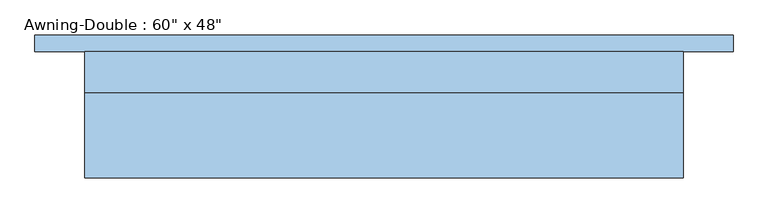
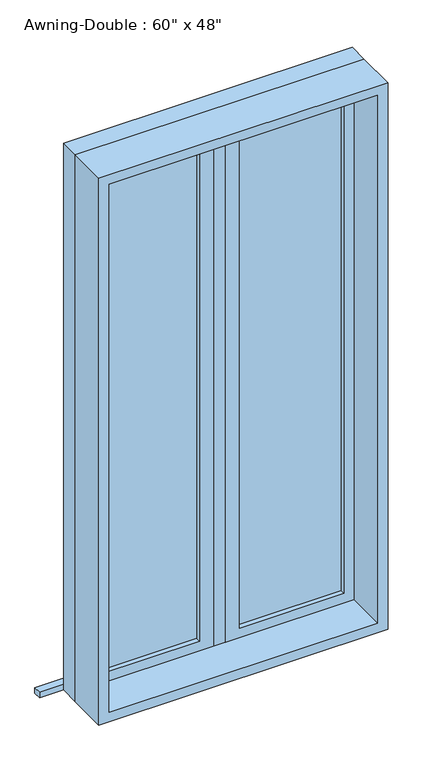
"""IFC4 building model written with IfcOpenShell, lengths in millimetres: window geometry."""

import ifcopenshell
import ifcopenshell.guid

model = None  # the IFC model being written
_history = None  # IfcOwnerHistory: only IFC2X3 demands one
_inside = {}  # id of a spatial element -> (the spatial element, [elements in it])
_under = {}  # id of a project, library or spatial element -> (it, [spatial elements below it])
_declared = {}  # id of a project -> (the project, [libraries it declares])
_typed = {}  # id of a type object -> (the type object, [elements of that type])
_made_of = {}  # id of a material, layer set ... -> (it, [elements and type objects made of it])


def new_model(schema):
    """Start an empty IFC model of exactly this schema.

    Asked for "IFC4X3", IfcOpenShell would pick the latest addendum, in which some entities
    have other attributes; the version numbers below select the first issue.
    IFC2X3 requires an IfcOwnerHistory on every rooted entity: one is made here for all.
    """
    global model, _history
    if schema == "IFC4X3":
        model = ifcopenshell.file(schema_version=(4, 3, 0, 0))
    else:
        model = ifcopenshell.file(schema=schema)
    _inside.clear()
    _under.clear()
    _declared.clear()
    _typed.clear()
    _made_of.clear()
    _history = None
    if model.schema == "IFC2X3":
        org = make("IfcOrganization", Name="unknown")
        user = make(
            "IfcPersonAndOrganization",
            ThePerson=make("IfcPerson", FamilyName="unknown"),
            TheOrganization=org,
        )
        app = make(
            "IfcApplication",
            ApplicationDeveloper=org,
            Version="unknown",
            ApplicationFullName="unknown",
            ApplicationIdentifier="unknown",
        )
        _history = make(
            "IfcOwnerHistory",
            OwningUser=user,
            OwningApplication=app,
            ChangeAction="ADDED",
            CreationDate=0,
        )
    return model


def make(cls, **values):
    """One entity of the class cls with the attributes given. An attribute that is None is left unset."""
    return model.create_entity(
        cls, **{name: value for name, value in values.items() if value is not None}
    )


def rooted(cls, **values):
    """An entity with a GlobalId (a new one), such as an element, a storey or a relation."""
    return make(cls, GlobalId=ifcopenshell.guid.new(), OwnerHistory=_history, **values)


def si_unit(unit_type, name, prefix=None):
    """IfcSIUnit, for example si_unit("LENGTHUNIT", "METRE", prefix="MILLI")."""
    return make("IfcSIUnit", UnitType=unit_type, Prefix=prefix, Name=name)


def assignment(units):
    """IfcUnitAssignment: the units of a project."""
    return None if units is None else make("IfcUnitAssignment", Units=units)


def point(xyz):
    """IfcCartesianPoint."""
    return None if xyz is None else make("IfcCartesianPoint", Coordinates=xyz)


def direction(xyz):
    """IfcDirection."""
    return None if xyz is None else make("IfcDirection", DirectionRatios=xyz)


def frame(location, z_axis=None, x_axis=None):
    """IfcAxis2Placement3D, a coordinate frame: its origin and axes. An axis left out is left unset."""
    return make(
        "IfcAxis2Placement3D",
        Location=point(location),
        Axis=direction(z_axis),
        RefDirection=direction(x_axis),
    )


def origin():
    """The frame at (0, 0, 0) with its axes left unset."""
    return frame((0.0, 0.0, 0.0))


def place(relative_to, where):
    """IfcLocalPlacement: puts the frame where relative to a parent placement (None: the world)."""
    return make(
        "IfcLocalPlacement", PlacementRelTo=relative_to, RelativePlacement=where
    )


def context(
    kind, dimensions, precision=None, world=None, true_north=None, identifier=None
):
    """IfcGeometricRepresentationContext, for example the 3D "Model" context."""
    return make(
        "IfcGeometricRepresentationContext",
        ContextIdentifier=identifier,
        ContextType=kind,
        CoordinateSpaceDimension=dimensions,
        Precision=precision,
        WorldCoordinateSystem=world,
        TrueNorth=true_north,
    )


def project(units=None, contexts=None):
    """IfcProject with its units and contexts."""
    return rooted(
        "IfcProject",
        Name="project",
        RepresentationContexts=contexts,
        UnitsInContext=assignment(units),
    )


def spatial(cls, under=None, at=None, **own):
    """A site, building, storey or space (cls), placed at a placement, below another one or the project."""
    s = rooted(cls, ObjectPlacement=at, **own)
    if under is not None:
        _under.setdefault(under.id(), (under, []))[1].append(s)
    return s


def polyline(points):
    """IfcPolyline through the points."""
    return make("IfcPolyline", Points=[point(p) for p in points])


def outline(outer, holes=None, kind="AREA"):
    """IfcArbitraryClosedProfileDef: a profile drawn as a closed curve; with holes, ...WithVoids."""
    if holes is None:
        return make("IfcArbitraryClosedProfileDef", ProfileType=kind, OuterCurve=outer)
    return make(
        "IfcArbitraryProfileDefWithVoids",
        ProfileType=kind,
        OuterCurve=outer,
        InnerCurves=holes,
    )


def extrude(swept, where, along, depth):
    """IfcExtrudedAreaSolid: the profile swept, set in the frame where, extruded along a direction by depth."""
    return make(
        "IfcExtrudedAreaSolid",
        SweptArea=swept,
        Position=where,
        ExtrudedDirection=direction(along),
        Depth=depth,
    )


def shape(context_of_items, identifier, shape_type, items):
    """IfcShapeRepresentation: the items that make up one representation, for example the "Body"."""
    return make(
        "IfcShapeRepresentation",
        ContextOfItems=context_of_items,
        RepresentationIdentifier=identifier,
        RepresentationType=shape_type,
        Items=items,
    )


def source(mapping_origin, context_of_items, identifier, shape_type, items):
    """IfcRepresentationMap: a shape defined once, which mapped items show again and again."""
    return make(
        "IfcRepresentationMap",
        MappingOrigin=mapping_origin,
        MappedRepresentation=shape(context_of_items, identifier, shape_type, items),
    )


def transform(
    local_origin,
    x_axis=None,
    y_axis=None,
    z_axis=None,
    scale=None,
    scale2=None,
    scale3=None,
    uniform=True,
):
    """IfcCartesianTransformationOperator3D, or its non-uniform kind. x_axis, y_axis, z_axis: its Axis1, 2, 3."""
    if uniform:
        return make(
            "IfcCartesianTransformationOperator3D",
            Axis1=direction(x_axis),
            Axis2=direction(y_axis),
            LocalOrigin=point(local_origin),
            Scale=scale,
            Axis3=direction(z_axis),
        )
    return make(
        "IfcCartesianTransformationOperator3DnonUniform",
        Axis1=direction(x_axis),
        Axis2=direction(y_axis),
        LocalOrigin=point(local_origin),
        Scale=scale,
        Axis3=direction(z_axis),
        Scale2=scale2,
        Scale3=scale3,
    )


def mapped(mapping_source, mapping_target):
    """IfcMappedItem: shows the shape of a source again, moved by a transform."""
    return make(
        "IfcMappedItem", MappingSource=mapping_source, MappingTarget=mapping_target
    )


def made_of(thing, what):
    """Note that an element or type object is made of a material, layer set ...; save() writes the relation."""
    if what is not None:
        _made_of.setdefault(what.id(), (what, []))[1].append(thing)
    return thing


def element(
    cls,
    number,
    at=None,
    inside=None,
    cuts=None,
    type_object=None,
    material=None,
    context=None,
    identifier="Body",
    shape_type=None,
    held_by="IfcProductDefinitionShape",
    body=None,
    shapes=None,
    **own,
):
    """One element of the class cls, such as IfcWall. Its Tag is "e" and its number.

    at: its placement. inside: the storey or other place that contains it. cuts: it is an
    opening in that element (IfcRelVoidsElement). A single representation is given by context,
    identifier, shape_type and body (its items); several are given by shapes. held_by: the class
    of the entity that holds the representations. save() writes the other relations.
    """
    e = rooted(cls, Tag="e%d" % number, ObjectPlacement=at, **own)
    if body is not None:
        shapes = [shape(context, identifier, shape_type, body)]
    if shapes is not None:
        e.Representation = make(held_by, Representations=shapes)
    if inside is not None:
        _inside.setdefault(inside.id(), (inside, []))[1].append(e)
    if cuts is not None:
        rooted(
            "IfcRelVoidsElement", RelatingBuildingElement=cuts, RelatedOpeningElement=e
        )
    if type_object is not None:
        _typed.setdefault(type_object.id(), (type_object, []))[1].append(e)
    return made_of(e, material)


def aggregate(whole, parts):
    """IfcRelAggregates: a whole, such as a stair, and the parts it consists of."""
    return rooted("IfcRelAggregates", RelatingObject=whole, RelatedObjects=parts)


def save(model, path):
    """Write the relations noted so far, then the file.

    IfcRelAggregates (storeys below a building ...), IfcRelContainedInSpatialStructure (elements
    in a storey), IfcRelDefinesByType, IfcRelAssociatesMaterial and IfcRelDeclares: one each for
    every whole, place, type object, material and project.
    """
    for whole, parts in _under.values():
        aggregate(whole, parts)
    for where, things in _inside.values():
        rooted(
            "IfcRelContainedInSpatialStructure",
            RelatedElements=things,
            RelatingStructure=where,
        )
    for kind, things in _typed.values():
        rooted("IfcRelDefinesByType", RelatedObjects=things, RelatingType=kind)
    for what, things in _made_of.values():
        rooted("IfcRelAssociatesMaterial", RelatedObjects=things, RelatingMaterial=what)
    for by, libraries in _declared.values():
        rooted("IfcRelDeclares", RelatingContext=by, RelatedDefinitions=libraries)
    model.write(path)


def window_47165a11(model_context):
    return source(origin(), model_context, "Body", "SweptSolid", [
        extrude(outline(polyline([(-533.4, 141.2875), (533.4, 141.2875), (533.4, 115.8875), (-533.4, 115.8875), (-533.4, 141.2875)])), frame((0.0, 0.0, 914.4), z_axis=(0.0, 0.0, 1.0), x_axis=(1.0, 0.0, 0.0)), (0.0, 0.0, 1.0), 19.05),
        extrude(outline(polyline([(63.5, 80.9625), (393.7, 80.9625), (393.7, 68.2625), (63.5, 68.2625), (63.5, 80.9625)])), frame((0.0, 0.0, 977.9), z_axis=(0.0, 0.0, 1.0), x_axis=(1.0, 0.0, 0.0)), (0.0, 0.0, 1.0), 1701.8),
        extrude(outline(polyline([(2724.15, 19.05), (933.45, 19.05), (933.45, 438.15), (2724.15, 438.15), (2724.15, 19.05)]), holes=[polyline([(2679.7, 63.5), (2679.7, 393.7), (977.9, 393.7), (977.9, 63.5), (2679.7, 63.5)])]), frame((0.0, 52.3875, 0.0), z_axis=(0.0, 1.0, 0.0), x_axis=(0.0, 0.0, 1.0)), (0.0, 0.0, 1.0), 44.45),
        extrude(outline(polyline([(-63.5, 68.2625), (-393.7, 68.2625), (-393.7, 80.9625), (-63.5, 80.9625), (-63.5, 68.2625)])), frame((0.0, 0.0, 977.9), z_axis=(0.0, 0.0, 1.0), x_axis=(1.0, 0.0, 0.0)), (0.0, 0.0, 1.0), 1701.8),
        extrude(outline(polyline([(2724.15, -438.15), (933.45, -438.15), (933.45, -19.05), (2724.15, -19.05), (2724.15, -438.15)]), holes=[polyline([(2679.7, -393.7), (2679.7, -63.5), (977.9, -63.5), (977.9, -393.7), (2679.7, -393.7)])]), frame((0.0, 52.3875, 0.0), z_axis=(0.0, 1.0, 0.0), x_axis=(0.0, 0.0, 1.0)), (0.0, 0.0, 1.0), 44.45),
        extrude(outline(polyline([(2743.2, -457.2), (914.4, -457.2), (914.4, 457.2), (2743.2, 457.2), (2743.2, -457.2)]), holes=[polyline([(2711.45, -425.45), (2711.45, 425.45), (946.15, 425.45), (946.15, -425.45), (2711.45, -425.45)])]), frame((0.0, -77.7875, 0.0), z_axis=(0.0, 1.0, 0.0), x_axis=(0.0, 0.0, 1.0)), (0.0, 0.0, 1.0), 130.175),
        extrude(outline(polyline([(2743.2, 457.2), (2743.2, -457.2), (914.4, -457.2), (914.4, 457.2), (2743.2, 457.2)]), holes=[polyline([(2724.15, 438.15), (933.45, 438.15), (933.45, -438.15), (2724.15, -438.15), (2724.15, 438.15)])]), frame((0.0, 52.3875, 0.0), z_axis=(0.0, 1.0, 0.0), x_axis=(0.0, 0.0, 1.0)), (0.0, 0.0, 1.0), 63.5),
        extrude(outline(polyline([(19.05, 52.3875), (-19.05, 52.3875), (-19.05, 115.8875), (19.05, 115.8875), (19.05, 52.3875)])), frame((0.0, 0.0, 933.45), z_axis=(0.0, 0.0, 1.0), x_axis=(1.0, 0.0, 0.0)), (0.0, 0.0, 1.0), 1790.7),
    ])


if __name__ == "__main__":
    model = new_model("IFC4")
    model_context = context("Model", 3, world=origin())
    ifc_project = project(units=[si_unit("LENGTHUNIT", "METRE", prefix="MILLI")], contexts=[model_context])
    site = spatial("IfcSite", under=ifc_project)
    building = spatial("IfcBuilding", under=site)
    placement = place(None, origin())
    window_shape = window_47165a11(model_context)
    element("IfcWindow", 1, ObjectType="Awning-Double : 60\" x 48\"", at=placement, inside=building, context=model_context, shape_type="MappedRepresentation", body=[
        mapped(window_shape, transform((0.0, 0.0, 0.0), x_axis=(1.0, 0.0, 0.0), y_axis=(0.0, 1.0, 0.0), z_axis=(0.0, 0.0, 1.0))),
    ])
    save(model, "model.ifc")
